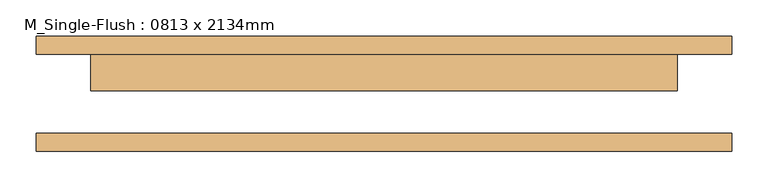
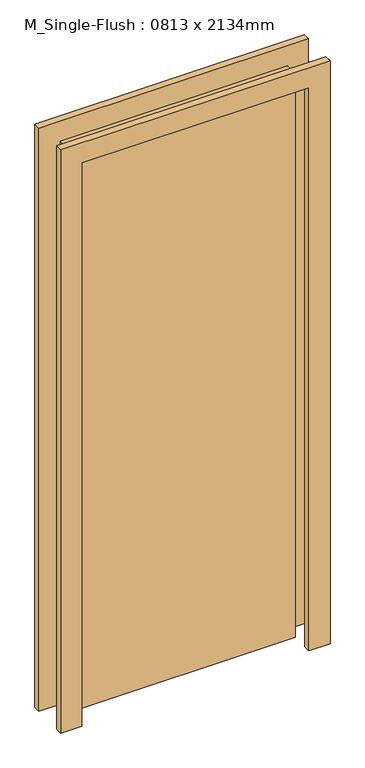
"""IFC4 building model written with IfcOpenShell, lengths in millimetres: door geometry, M_Single-Flush : 0813 x 2134mm."""

from ifc_helpers import new_model, si_unit, frame, origin, origin_with_axes, place, context, project, spatial, polyline, outline, extrude, source, transform, mapped, element, save


def m_single_flush_0813_x_2134mm_ce670ad7(model_context):
    return source(origin(), model_context, "Body", "SweptSolid", [
        extrude(outline(polyline([(2210.0, -482.5), (0.0, -482.5), (0.0, -406.5), (2134.0, -406.5), (2134.0, 406.5), (0.0, 406.5), (0.0, 482.5), (2210.0, 482.5), (2210.0, -482.5)])), frame((0.0, 55.0, 0.0), z_axis=(0.0, 1.0, 0.0), x_axis=(0.0, 0.0, 1.0)), (0.0, 0.0, 1.0), 25.0),
        extrude(outline(polyline([(2210.0, 482.5), (2210.0, -482.5), (0.0, -482.5), (0.0, -406.5), (2134.0, -406.5), (2134.0, 406.5), (0.0, 406.5), (0.0, 482.5), (2210.0, 482.5)])), frame((0.0, -80.0, 0.0), z_axis=(0.0, 1.0, 0.0), x_axis=(0.0, 0.0, 1.0)), (0.0, 0.0, 1.0), 25.0),
        extrude(outline(polyline([(406.5, 4.0), (-406.5, 4.0), (-406.5, 55.0), (406.5, 55.0), (406.5, 4.0)])), origin_with_axes(), (0.0, 0.0, 1.0), 2134.0),
    ])


if __name__ == "__main__":
    model = new_model("IFC4")
    model_context = context("Model", 3, world=origin())
    ifc_project = project(units=[si_unit("LENGTHUNIT", "METRE", prefix="MILLI")], contexts=[model_context])
    site = spatial("IfcSite", under=ifc_project)
    building = spatial("IfcBuilding", under=site)
    placement = place(None, origin())
    m_single_flush_0813_x_2134mm_shape = m_single_flush_0813_x_2134mm_ce670ad7(model_context)
    element("IfcDoor", 1, ObjectType="M_Single-Flush : 0813 x 2134mm", at=placement, inside=building, context=model_context, shape_type="MappedRepresentation", body=[
        mapped(m_single_flush_0813_x_2134mm_shape, transform((0.0, 0.0, 0.0), x_axis=(1.0, 0.0, 0.0), y_axis=(0.0, 1.0, 0.0), z_axis=(0.0, 0.0, 1.0))),
    ])
    save(model, "model.ifc")
